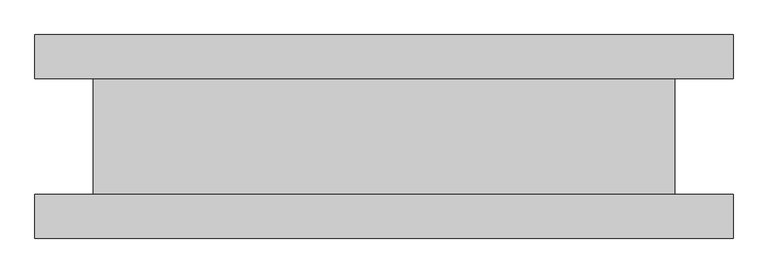
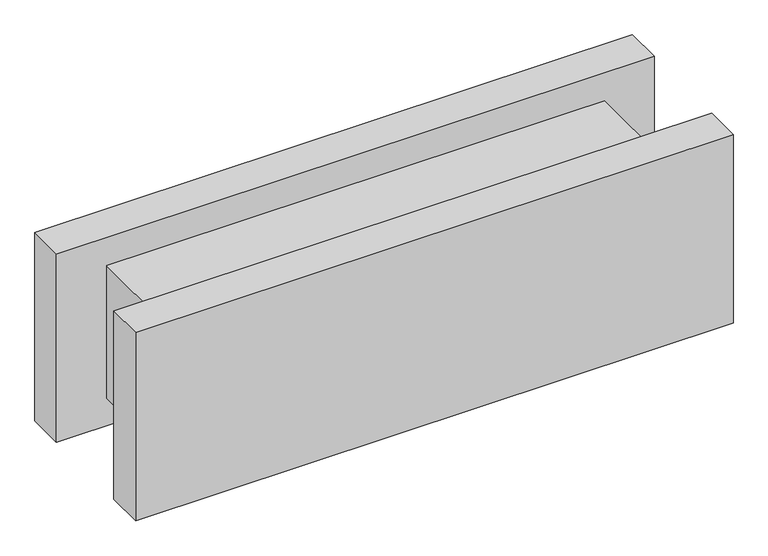
"""IFC4 building model written with IfcOpenShell, lengths in millimetres: plate geometry."""

from ifc_helpers import new_model, si_unit, frame, origin, origin_with_axes, place, context, project, spatial, polyline, outline, extrude, source, transform, mapped, element, save


def plate_b500635a(model_context):
    return source(origin(), model_context, "Body", "SweptSolid", [
        extrude(outline(polyline([(600.0, -175.0), (-600.0, -175.0), (-600.0, -100.0), (600.0, -100.0), (600.0, -175.0)])), origin_with_axes(), (0.0, 0.0, 1.0), 400.0),
        extrude(outline(polyline([(600.0, 100.0), (-600.0, 100.0), (-600.0, 175.0), (600.0, 175.0), (600.0, 100.0)])), origin_with_axes(), (0.0, 0.0, 1.0), 400.0),
        extrude(outline(polyline([(500.0, -100.0), (-500.0, -100.0), (-500.0, 100.0), (500.0, 100.0), (500.0, -100.0)])), frame((0.0, 0.0, 59.45), z_axis=(0.0, 0.0, 1.0), x_axis=(1.0, 0.0, 0.0)), (0.0, 0.0, 1.0), 281.1),
    ])


if __name__ == "__main__":
    model = new_model("IFC4")
    model_context = context("Model", 3, world=origin())
    ifc_project = project(units=[si_unit("LENGTHUNIT", "METRE", prefix="MILLI")], contexts=[model_context])
    site = spatial("IfcSite", under=ifc_project)
    building = spatial("IfcBuilding", under=site)
    placement = place(None, origin())
    plate_shape = plate_b500635a(model_context)
    element("IfcPlate", 1, at=placement, inside=building, context=model_context, shape_type="MappedRepresentation", body=[
        mapped(plate_shape, transform((0.0, 0.0, 0.0), x_axis=(1.0, 0.0, 0.0), y_axis=(0.0, 1.0, 0.0), z_axis=(0.0, 0.0, 1.0))),
    ])
    save(model, "model.ifc")
